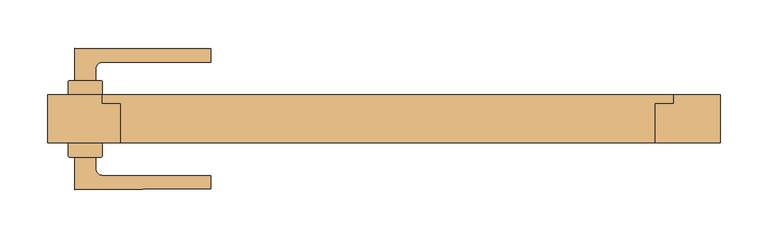
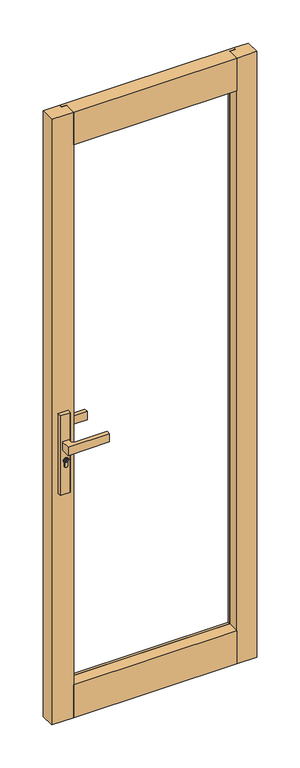
"""IFC4 building model written with IfcOpenShell, lengths in millimetres: door geometry."""

import ifcopenshell
import ifcopenshell.guid

model = None  # the IFC model being written
_history = None  # IfcOwnerHistory: only IFC2X3 demands one
_inside = {}  # id of a spatial element -> (the spatial element, [elements in it])
_under = {}  # id of a project, library or spatial element -> (it, [spatial elements below it])
_declared = {}  # id of a project -> (the project, [libraries it declares])
_typed = {}  # id of a type object -> (the type object, [elements of that type])
_made_of = {}  # id of a material, layer set ... -> (it, [elements and type objects made of it])


def new_model(schema):
    """Start an empty IFC model of exactly this schema.

    Asked for "IFC4X3", IfcOpenShell would pick the latest addendum, in which some entities
    have other attributes; the version numbers below select the first issue.
    IFC2X3 requires an IfcOwnerHistory on every rooted entity: one is made here for all.
    """
    global model, _history
    if schema == "IFC4X3":
        model = ifcopenshell.file(schema_version=(4, 3, 0, 0))
    else:
        model = ifcopenshell.file(schema=schema)
    _inside.clear()
    _under.clear()
    _declared.clear()
    _typed.clear()
    _made_of.clear()
    _history = None
    if model.schema == "IFC2X3":
        org = make("IfcOrganization", Name="unknown")
        user = make(
            "IfcPersonAndOrganization",
            ThePerson=make("IfcPerson", FamilyName="unknown"),
            TheOrganization=org,
        )
        app = make(
            "IfcApplication",
            ApplicationDeveloper=org,
            Version="unknown",
            ApplicationFullName="unknown",
            ApplicationIdentifier="unknown",
        )
        _history = make(
            "IfcOwnerHistory",
            OwningUser=user,
            OwningApplication=app,
            ChangeAction="ADDED",
            CreationDate=0,
        )
    return model


def make(cls, **values):
    """One entity of the class cls with the attributes given. An attribute that is None is left unset."""
    return model.create_entity(
        cls, **{name: value for name, value in values.items() if value is not None}
    )


def rooted(cls, **values):
    """An entity with a GlobalId (a new one), such as an element, a storey or a relation."""
    return make(cls, GlobalId=ifcopenshell.guid.new(), OwnerHistory=_history, **values)


def si_unit(unit_type, name, prefix=None):
    """IfcSIUnit, for example si_unit("LENGTHUNIT", "METRE", prefix="MILLI")."""
    return make("IfcSIUnit", UnitType=unit_type, Prefix=prefix, Name=name)


def assignment(units):
    """IfcUnitAssignment: the units of a project."""
    return None if units is None else make("IfcUnitAssignment", Units=units)


def point(xyz):
    """IfcCartesianPoint."""
    return None if xyz is None else make("IfcCartesianPoint", Coordinates=xyz)


def direction(xyz):
    """IfcDirection."""
    return None if xyz is None else make("IfcDirection", DirectionRatios=xyz)


def frame(location, z_axis=None, x_axis=None):
    """IfcAxis2Placement3D, a coordinate frame: its origin and axes. An axis left out is left unset."""
    return make(
        "IfcAxis2Placement3D",
        Location=point(location),
        Axis=direction(z_axis),
        RefDirection=direction(x_axis),
    )


def frame_2d(location, x_axis=None):
    """IfcAxis2Placement2D, a coordinate frame in the plane: its origin and x axis."""
    return make(
        "IfcAxis2Placement2D", Location=point(location), RefDirection=direction(x_axis)
    )


def origin():
    """The frame at (0, 0, 0) with its axes left unset."""
    return frame((0.0, 0.0, 0.0))


def place(relative_to, where):
    """IfcLocalPlacement: puts the frame where relative to a parent placement (None: the world)."""
    return make(
        "IfcLocalPlacement", PlacementRelTo=relative_to, RelativePlacement=where
    )


def context(
    kind, dimensions, precision=None, world=None, true_north=None, identifier=None
):
    """IfcGeometricRepresentationContext, for example the 3D "Model" context."""
    return make(
        "IfcGeometricRepresentationContext",
        ContextIdentifier=identifier,
        ContextType=kind,
        CoordinateSpaceDimension=dimensions,
        Precision=precision,
        WorldCoordinateSystem=world,
        TrueNorth=true_north,
    )


def project(units=None, contexts=None):
    """IfcProject with its units and contexts."""
    return rooted(
        "IfcProject",
        Name="project",
        RepresentationContexts=contexts,
        UnitsInContext=assignment(units),
    )


def spatial(cls, under=None, at=None, **own):
    """A site, building, storey or space (cls), placed at a placement, below another one or the project."""
    s = rooted(cls, ObjectPlacement=at, **own)
    if under is not None:
        _under.setdefault(under.id(), (under, []))[1].append(s)
    return s


def polyline(points):
    """IfcPolyline through the points."""
    return make("IfcPolyline", Points=[point(p) for p in points])


def circle_curve(where, radius):
    """IfcCircle in the frame where."""
    return make("IfcCircle", Position=where, Radius=radius)


def trimmed(basis, trim1, trim2, sense, master):
    """IfcTrimmedCurve: the piece of a basis curve between two trims."""
    return make(
        "IfcTrimmedCurve",
        BasisCurve=basis,
        Trim1=trim1,
        Trim2=trim2,
        SenseAgreement=sense,
        MasterRepresentation=master,
    )


def segment(curve, same_sense, transition):
    """IfcCompositeCurveSegment."""
    return make(
        "IfcCompositeCurveSegment",
        Transition=transition,
        SameSense=same_sense,
        ParentCurve=curve,
    )


def composite_curve(segments, self_intersect=None):
    """IfcCompositeCurve: segments joined end to end."""
    return make("IfcCompositeCurve", Segments=segments, SelfIntersect=self_intersect)


def outline(outer, holes=None, kind="AREA"):
    """IfcArbitraryClosedProfileDef: a profile drawn as a closed curve; with holes, ...WithVoids."""
    if holes is None:
        return make("IfcArbitraryClosedProfileDef", ProfileType=kind, OuterCurve=outer)
    return make(
        "IfcArbitraryProfileDefWithVoids",
        ProfileType=kind,
        OuterCurve=outer,
        InnerCurves=holes,
    )


def extrude(swept, where, along, depth):
    """IfcExtrudedAreaSolid: the profile swept, set in the frame where, extruded along a direction by depth."""
    return make(
        "IfcExtrudedAreaSolid",
        SweptArea=swept,
        Position=where,
        ExtrudedDirection=direction(along),
        Depth=depth,
    )


def faces_of(points, faces, orient=None, outer=None):
    """IfcFace entities. A face is a list of loops; a loop is a list of indices into points, from 0.

    orient and outer hold one flag for each loop. By default every Orientation is true, the
    first loop of a face is its IfcFaceOuterBound and the others are IfcFaceBound.
    """
    made = []
    for i, loops in enumerate(faces):
        bounds = []
        for j, loop in enumerate(loops):
            is_outer = j == 0 if outer is None else outer[i][j]
            bounds.append(
                make(
                    "IfcFaceOuterBound" if is_outer else "IfcFaceBound",
                    Bound=make("IfcPolyLoop", Polygon=[points[k] for k in loop]),
                    Orientation=True if orient is None else orient[i][j],
                )
            )
        made.append(make("IfcFace", Bounds=bounds))
    return made


def faceted_brep(points, faces, orient=None, outer=None, voids=None):
    """IfcFacetedBrep: a solid bounded by flat faces; with voids (closed shells), ...WithVoids."""
    shared = [point(p) for p in points]
    hull = make("IfcClosedShell", CfsFaces=faces_of(shared, faces, orient, outer))
    if voids is None:
        return make("IfcFacetedBrep", Outer=hull)
    return make(
        "IfcFacetedBrepWithVoids",
        Outer=hull,
        Voids=[
            make(cls, CfsFaces=faces_of(shared, fs, o, b)) for cls, fs, o, b in voids
        ],
    )


def shape(context_of_items, identifier, shape_type, items):
    """IfcShapeRepresentation: the items that make up one representation, for example the "Body"."""
    return make(
        "IfcShapeRepresentation",
        ContextOfItems=context_of_items,
        RepresentationIdentifier=identifier,
        RepresentationType=shape_type,
        Items=items,
    )


def source(mapping_origin, context_of_items, identifier, shape_type, items):
    """IfcRepresentationMap: a shape defined once, which mapped items show again and again."""
    return make(
        "IfcRepresentationMap",
        MappingOrigin=mapping_origin,
        MappedRepresentation=shape(context_of_items, identifier, shape_type, items),
    )


def transform(
    local_origin,
    x_axis=None,
    y_axis=None,
    z_axis=None,
    scale=None,
    scale2=None,
    scale3=None,
    uniform=True,
):
    """IfcCartesianTransformationOperator3D, or its non-uniform kind. x_axis, y_axis, z_axis: its Axis1, 2, 3."""
    if uniform:
        return make(
            "IfcCartesianTransformationOperator3D",
            Axis1=direction(x_axis),
            Axis2=direction(y_axis),
            LocalOrigin=point(local_origin),
            Scale=scale,
            Axis3=direction(z_axis),
        )
    return make(
        "IfcCartesianTransformationOperator3DnonUniform",
        Axis1=direction(x_axis),
        Axis2=direction(y_axis),
        LocalOrigin=point(local_origin),
        Scale=scale,
        Axis3=direction(z_axis),
        Scale2=scale2,
        Scale3=scale3,
    )


def mapped(mapping_source, mapping_target):
    """IfcMappedItem: shows the shape of a source again, moved by a transform."""
    return make(
        "IfcMappedItem", MappingSource=mapping_source, MappingTarget=mapping_target
    )


def made_of(thing, what):
    """Note that an element or type object is made of a material, layer set ...; save() writes the relation."""
    if what is not None:
        _made_of.setdefault(what.id(), (what, []))[1].append(thing)
    return thing


def element(
    cls,
    number,
    at=None,
    inside=None,
    cuts=None,
    type_object=None,
    material=None,
    context=None,
    identifier="Body",
    shape_type=None,
    held_by="IfcProductDefinitionShape",
    body=None,
    shapes=None,
    **own,
):
    """One element of the class cls, such as IfcWall. Its Tag is "e" and its number.

    at: its placement. inside: the storey or other place that contains it. cuts: it is an
    opening in that element (IfcRelVoidsElement). A single representation is given by context,
    identifier, shape_type and body (its items); several are given by shapes. held_by: the class
    of the entity that holds the representations. save() writes the other relations.
    """
    e = rooted(cls, Tag="e%d" % number, ObjectPlacement=at, **own)
    if body is not None:
        shapes = [shape(context, identifier, shape_type, body)]
    if shapes is not None:
        e.Representation = make(held_by, Representations=shapes)
    if inside is not None:
        _inside.setdefault(inside.id(), (inside, []))[1].append(e)
    if cuts is not None:
        rooted(
            "IfcRelVoidsElement", RelatingBuildingElement=cuts, RelatedOpeningElement=e
        )
    if type_object is not None:
        _typed.setdefault(type_object.id(), (type_object, []))[1].append(e)
    return made_of(e, material)


def aggregate(whole, parts):
    """IfcRelAggregates: a whole, such as a stair, and the parts it consists of."""
    return rooted("IfcRelAggregates", RelatingObject=whole, RelatedObjects=parts)


def save(model, path):
    """Write the relations noted so far, then the file.

    IfcRelAggregates (storeys below a building ...), IfcRelContainedInSpatialStructure (elements
    in a storey), IfcRelDefinesByType, IfcRelAssociatesMaterial and IfcRelDeclares: one each for
    every whole, place, type object, material and project.
    """
    for whole, parts in _under.values():
        aggregate(whole, parts)
    for where, things in _inside.values():
        rooted(
            "IfcRelContainedInSpatialStructure",
            RelatedElements=things,
            RelatingStructure=where,
        )
    for kind, things in _typed.values():
        rooted("IfcRelDefinesByType", RelatedObjects=things, RelatingType=kind)
    for what, things in _made_of.values():
        rooted("IfcRelAssociatesMaterial", RelatedObjects=things, RelatingMaterial=what)
    for by, libraries in _declared.values():
        rooted("IfcRelDeclares", RelatingContext=by, RelatedDefinitions=libraries)
    model.write(path)


def door_26ee14ef(model_context):
    return source(origin(), model_context, "Body", "SolidModel", [
        extrude(outline(composite_curve([segment(trimmed(circle_curve(frame_2d((945.687184, -315.651515)), 5.9005564), [point((945.687184, -309.7509586))], [point((945.687184, -321.5520714))], False, "CARTESIAN"), True, "CONTINUOUS"), segment(trimmed(circle_curve(frame_2d((945.687184, -315.651515)), 5.9005564), [point((945.687184, -321.5520714))], [point((945.687184, -309.7509586))], False, "CARTESIAN"), True, "CONTINUOUS")], self_intersect=False), holes=[polyline([(946.7492167, -316.7155863), (949.7292167, -316.7155863), (949.7292167, -314.6676469), (948.9292167, -314.6676469), (948.3483344, -315.7155863), (947.1634303, -315.7155863), (946.3431864, -314.8953425), (944.6002002, -314.8953425), (944.0258593, -315.7155863), (941.7685105, -315.7155863), (941.7685105, -316.7155863), (944.5464263, -316.7155863), (945.1207673, -315.8953425), (945.9289729, -315.8953425), (946.7492167, -316.7155863)])]), frame((0.0, -44.6737903, 0.0), z_axis=(0.0, 1.0, 0.0), x_axis=(0.0, 0.0, 1.0)), (0.0, 0.0, 1.0), 4.423715),
        extrude(outline(composite_curve([segment(polyline([(-333.3000337, -39.0000748), (-333.3000337, -25.0000751), (-298.3000339, -25.0000751), (-298.3000339, -39.0000748)]), True, "CONTINUOUS"), segment(trimmed(circle_curve(frame_2d((-299.3000339, -39.0000748)), 1.0), [point((-298.3000339, -39.0000748))], [point((-299.3000339, -40.0000748))], False, "CARTESIAN"), True, "CONTINUOUS"), segment(polyline([(-299.3000339, -40.0000748), (-332.3000337, -40.0000748)]), True, "CONTINUOUS"), segment(trimmed(circle_curve(frame_2d((-332.3000337, -39.0000748)), 1.0), [point((-332.3000337, -40.0000748))], [point((-333.3000337, -39.0000748))], False, "CARTESIAN"), True, "CONTINUOUS")], self_intersect=False)), frame((0.0, 0.0, 822.4734334), z_axis=(0.0, 0.0, 1.0), x_axis=(1.0, 0.0, 0.0)), (0.0, 0.0, 1.0), 287.6450734),
        extrude(outline(composite_curve([segment(trimmed(circle_curve(frame_2d((-332.3000337, 38.9999345)), 1.0), [point((-333.3000337, 38.9999345))], [point((-332.3000337, 39.9999345))], False, "CARTESIAN"), True, "CONTINUOUS"), segment(polyline([(-332.3000337, 39.9999345), (-299.3000339, 39.9999345)]), True, "CONTINUOUS"), segment(trimmed(circle_curve(frame_2d((-299.3000339, 38.9999345)), 1.0), [point((-299.3000339, 39.9999345))], [point((-298.3000339, 38.9999345))], False, "CARTESIAN"), True, "CONTINUOUS"), segment(polyline([(-298.3000339, 38.9999345), (-298.3000339, 24.9999349), (-333.3000337, 24.9999349), (-333.3000337, 38.9999345)]), True, "CONTINUOUS")], self_intersect=False)), frame((0.0, 0.0, 822.4734334), z_axis=(0.0, 0.0, 1.0), x_axis=(1.0, 0.0, 0.0)), (0.0, 0.0, 1.0), 287.6450734),
        extrude(outline(composite_curve([segment(trimmed(circle_curve(frame_2d((945.687184, -315.651515)), 8.4005564), [point((939.648662, -309.811515))], [point((939.2521745, -321.051515))], False, "CARTESIAN"), True, "CONTINUOUS"), segment(polyline([(939.2521745, -321.051515), (926.2077404, -321.051515)]), True, "CONTINUOUS"), segment(trimmed(circle_curve(frame_2d((926.2077404, -315.431515)), 5.62), [point((926.2077404, -321.051515))], [point((926.2077404, -309.811515))], False, "CARTESIAN"), True, "CONTINUOUS"), segment(polyline([(926.2077404, -309.811515), (939.648662, -309.811515)]), True, "CONTINUOUS")], self_intersect=False), holes=[composite_curve([segment(trimmed(circle_curve(frame_2d((945.687184, -315.651515)), 6.4005564), [point((945.687184, -309.2509586))], [point((945.687184, -322.0520714))], True, "CARTESIAN"), True, "CONTINUOUS"), segment(trimmed(circle_curve(frame_2d((945.687184, -315.651515)), 6.4005564), [point((945.687184, -322.0520714))], [point((945.687184, -309.2509586))], True, "CARTESIAN"), True, "CONTINUOUS")], self_intersect=False)]), frame((0.0, -43.3094156, 0.0), z_axis=(0.0, 1.0, 0.0), x_axis=(0.0, 0.0, 1.0)), (0.0, 0.0, 1.0), 3.0593403),
        extrude(outline(composite_curve([segment(trimmed(circle_curve(frame_2d((945.687184, -315.651515)), 6.4005564), [point((945.687184, -322.0520714))], [point((945.687184, -309.2509586))], False, "CARTESIAN"), True, "CONTINUOUS"), segment(trimmed(circle_curve(frame_2d((945.687184, -315.651515)), 6.4005564), [point((945.687184, -309.2509586))], [point((945.687184, -322.0520714))], False, "CARTESIAN"), True, "CONTINUOUS")], self_intersect=False), holes=[composite_curve([segment(trimmed(circle_curve(frame_2d((945.687184, -315.651515)), 5.9005564), [point((945.687184, -321.5520714))], [point((945.687184, -309.7509586))], True, "CARTESIAN"), True, "CONTINUOUS"), segment(trimmed(circle_curve(frame_2d((945.687184, -315.651515)), 5.9005564), [point((945.687184, -309.7509586))], [point((945.687184, -321.5520714))], True, "CARTESIAN"), True, "CONTINUOUS")], self_intersect=False)]), frame((0.0, -43.3094156, 0.0), z_axis=(0.0, 1.0, 0.0), x_axis=(0.0, 0.0, 1.0)), (0.0, 0.0, 1.0), 3.0593403),
        extrude(outline(composite_curve([segment(polyline([(939.1595834, -321.251515), (926.2077404, -321.251515)]), True, "CONTINUOUS"), segment(trimmed(circle_curve(frame_2d((926.2077404, -315.431515)), 5.82), [point((926.2077404, -321.251515))], [point((926.2077404, -309.611515))], False, "CARTESIAN"), True, "CONTINUOUS"), segment(polyline([(926.2077404, -309.611515), (939.564442, -309.611515)]), True, "CONTINUOUS"), segment(trimmed(circle_curve(frame_2d((945.687184, -315.651515)), 8.6005564), [point((939.564442, -309.611515))], [point((939.1595834, -321.251515))], False, "CARTESIAN"), True, "CONTINUOUS")], self_intersect=False), holes=[composite_curve([segment(polyline([(926.2077404, -321.051515), (939.2521745, -321.051515)]), True, "CONTINUOUS"), segment(trimmed(circle_curve(frame_2d((945.687184, -315.651515)), 8.4005564), [point((939.2521745, -321.051515))], [point((939.648662, -309.811515))], True, "CARTESIAN"), True, "CONTINUOUS"), segment(polyline([(939.648662, -309.811515), (926.2077404, -309.811515)]), True, "CONTINUOUS"), segment(trimmed(circle_curve(frame_2d((926.2077404, -315.431515)), 5.62), [point((926.2077404, -309.811515))], [point((926.2077404, -321.051515))], True, "CARTESIAN"), True, "CONTINUOUS")], self_intersect=False)]), frame((0.0, -43.3094156, 0.0), z_axis=(0.0, 1.0, 0.0), x_axis=(0.0, 0.0, 1.0)), (0.0, 0.0, 1.0), 3.0593403),
        extrude(outline(composite_curve([segment(polyline([(-326.8000338, -73.8567161), (-326.8000338, -40.2500753), (-304.8000338, -40.2500753), (-304.8000338, -51.7500751)]), True, "CONTINUOUS"), segment(trimmed(circle_curve(frame_2d((-297.3000338, -51.7500751)), 7.5), [point((-304.8000338, -51.7500751))], [point((-297.2954991, -59.2500738))], True, "CARTESIAN"), True, "CONTINUOUS"), segment(polyline([(-297.2954991, -59.2500738), (-184.8000284, -59.2500738), (-184.8000284, -73.2500747)]), True, "CONTINUOUS"), segment(trimmed(circle_curve(frame_2d((-259.8000335, 862.7499249)), 939.0), [point((-184.8000284, -73.2500747))], [point((-326.8000338, -73.8567161))], False, "CARTESIAN"), True, "CONTINUOUS")], self_intersect=False)), frame((0.0, 0.0, 985.1796291), z_axis=(0.0, 0.0, 1.0), x_axis=(1.0, 0.0, 0.0)), (0.0, 0.0, 1.0), 29.6407418),
        extrude(outline(composite_curve([segment(trimmed(circle_curve(frame_2d((945.687184, -315.651515)), 5.9005564), [point((945.687184, -309.7509586))], [point((945.687184, -321.5520714))], False, "CARTESIAN"), True, "CONTINUOUS"), segment(trimmed(circle_curve(frame_2d((945.687184, -315.651515)), 5.9005564), [point((945.687184, -321.5520714))], [point((945.687184, -309.7509586))], False, "CARTESIAN"), True, "CONTINUOUS")], self_intersect=False), holes=[polyline([(946.7492167, -316.7155863), (949.7292167, -316.7155863), (949.7292167, -314.6676469), (948.9292167, -314.6676469), (948.3483344, -315.7155863), (947.1634303, -315.7155863), (946.3431864, -314.8953425), (944.6002002, -314.8953425), (944.0258593, -315.7155863), (941.7685105, -315.7155863), (941.7685105, -316.7155863), (944.5464263, -316.7155863), (945.1207673, -315.8953425), (945.9289729, -315.8953425), (946.7492167, -316.7155863)])]), frame((0.0, 40.249935, 0.0), z_axis=(0.0, 1.0, 0.0), x_axis=(0.0, 0.0, 1.0)), (0.0, 0.0, 1.0), 4.423715),
        extrude(outline(composite_curve([segment(trimmed(circle_curve(frame_2d((945.687184, -315.651515)), 8.4005564), [point((939.648662, -309.811515))], [point((939.2521745, -321.051515))], False, "CARTESIAN"), True, "CONTINUOUS"), segment(polyline([(939.2521745, -321.051515), (926.2077404, -321.051515)]), True, "CONTINUOUS"), segment(trimmed(circle_curve(frame_2d((926.2077404, -315.431515)), 5.62), [point((926.2077404, -321.051515))], [point((926.2077404, -309.811515))], False, "CARTESIAN"), True, "CONTINUOUS"), segment(polyline([(926.2077404, -309.811515), (939.648662, -309.811515)]), True, "CONTINUOUS")], self_intersect=False), holes=[composite_curve([segment(trimmed(circle_curve(frame_2d((945.687184, -315.651515)), 6.4005564), [point((945.687184, -309.2509586))], [point((945.687184, -322.0520714))], True, "CARTESIAN"), True, "CONTINUOUS"), segment(trimmed(circle_curve(frame_2d((945.687184, -315.651515)), 6.4005564), [point((945.687184, -322.0520714))], [point((945.687184, -309.2509586))], True, "CARTESIAN"), True, "CONTINUOUS")], self_intersect=False)]), frame((0.0, 40.249935, 0.0), z_axis=(0.0, 1.0, 0.0), x_axis=(0.0, 0.0, 1.0)), (0.0, 0.0, 1.0), 3.0593403),
        extrude(outline(composite_curve([segment(trimmed(circle_curve(frame_2d((945.687184, -315.651515)), 6.4005564), [point((945.687184, -322.0520714))], [point((945.687184, -309.2509586))], False, "CARTESIAN"), True, "CONTINUOUS"), segment(trimmed(circle_curve(frame_2d((945.687184, -315.651515)), 6.4005564), [point((945.687184, -309.2509586))], [point((945.687184, -322.0520714))], False, "CARTESIAN"), True, "CONTINUOUS")], self_intersect=False), holes=[composite_curve([segment(trimmed(circle_curve(frame_2d((945.687184, -315.651515)), 5.9005564), [point((945.687184, -321.5520714))], [point((945.687184, -309.7509586))], True, "CARTESIAN"), True, "CONTINUOUS"), segment(trimmed(circle_curve(frame_2d((945.687184, -315.651515)), 5.9005564), [point((945.687184, -309.7509586))], [point((945.687184, -321.5520714))], True, "CARTESIAN"), True, "CONTINUOUS")], self_intersect=False)]), frame((0.0, 40.249935, 0.0), z_axis=(0.0, 1.0, 0.0), x_axis=(0.0, 0.0, 1.0)), (0.0, 0.0, 1.0), 3.0593403),
        extrude(outline(composite_curve([segment(polyline([(939.1595834, -321.251515), (926.2077404, -321.251515)]), True, "CONTINUOUS"), segment(trimmed(circle_curve(frame_2d((926.2077404, -315.431515)), 5.82), [point((926.2077404, -321.251515))], [point((926.2077404, -309.611515))], False, "CARTESIAN"), True, "CONTINUOUS"), segment(polyline([(926.2077404, -309.611515), (939.564442, -309.611515)]), True, "CONTINUOUS"), segment(trimmed(circle_curve(frame_2d((945.687184, -315.651515)), 8.6005564), [point((939.564442, -309.611515))], [point((939.1595834, -321.251515))], False, "CARTESIAN"), True, "CONTINUOUS")], self_intersect=False), holes=[composite_curve([segment(polyline([(926.2077404, -321.051515), (939.2521745, -321.051515)]), True, "CONTINUOUS"), segment(trimmed(circle_curve(frame_2d((945.687184, -315.651515)), 8.4005564), [point((939.2521745, -321.051515))], [point((939.648662, -309.811515))], True, "CARTESIAN"), True, "CONTINUOUS"), segment(polyline([(939.648662, -309.811515), (926.2077404, -309.811515)]), True, "CONTINUOUS"), segment(trimmed(circle_curve(frame_2d((926.2077404, -315.431515)), 5.62), [point((926.2077404, -309.811515))], [point((926.2077404, -321.051515))], True, "CARTESIAN"), True, "CONTINUOUS")], self_intersect=False)]), frame((0.0, 40.249935, 0.0), z_axis=(0.0, 1.0, 0.0), x_axis=(0.0, 0.0, 1.0)), (0.0, 0.0, 1.0), 3.0593403),
        extrude(outline(composite_curve([segment(trimmed(circle_curve(frame_2d((-259.8000335, -862.7500651)), 939.0), [point((-326.8000338, 73.8565759))], [point((-184.8000284, 73.2499345))], False, "CARTESIAN"), True, "CONTINUOUS"), segment(polyline([(-184.8000284, 73.2499345), (-184.8000284, 59.2499335), (-297.2954991, 59.2499335)]), True, "CONTINUOUS"), segment(trimmed(circle_curve(frame_2d((-297.3000338, 51.7499349)), 7.5), [point((-297.2954991, 59.2499335))], [point((-304.8000338, 51.7499349))], True, "CARTESIAN"), True, "CONTINUOUS"), segment(polyline([(-304.8000338, 51.7499349), (-304.8000338, 40.249935), (-326.8000338, 40.249935), (-326.8000338, 73.8565759)]), True, "CONTINUOUS")], self_intersect=False)), frame((0.0, 0.0, 985.1796291), z_axis=(0.0, 0.0, 1.0), x_axis=(1.0, 0.0, 0.0)), (0.0, 0.0, 1.0), 29.6407418),
        faceted_brep([(-297.8000837, 15.9994771, 2082.0399064), (-297.8000837, 15.9994771, 2182.0899064), (-297.8000837, 24.9999674, 2182.0899064), (-297.8000837, 24.9999674, 2082.0399064), (298.0000593, 15.9994771, 2082.0399064), (298.0000593, 24.9999674, 2082.0399064), (298.0000593, 24.9999674, 2182.0899064), (298.0000593, 15.9994771, 2182.0899064), (-278.8000837, 15.9994771, 2082.0399064), (-278.8000837, 15.9994771, 2182.0899064), (279.0000593, 15.9994771, 2182.0899064), (279.0000593, 15.9994771, 2082.0399064), (-278.8000837, -25.0000651, 2182.0899064), (279.0000593, -25.0000651, 2182.0899064), (-278.8000837, -25.0000651, 2063.0399064), (-278.8000837, 15.9994771, 2063.0399064), (279.0000593, -25.0000651, 2063.0399064), (279.0000593, 15.9994771, 2063.0399064)], [[[0, 1, 2, 3]], [[4, 5, 6, 7]], [[1, 0, 8, 9]], [[4, 7, 10, 11]], [[0, 3, 5, 4, 11, 8]], [[3, 2, 6, 5]], [[2, 1, 9, 12, 13, 10, 7, 6]], [[14, 12, 9, 8, 15]], [[16, 17, 11, 10, 13]], [[12, 14, 16, 13]], [[14, 15, 17, 16]], [[17, 15, 8, 11]]]),
        faceted_brep([(-297.8000837, 24.9999349, 90.9821405), (-297.8000837, 24.9999349, -9.0178595), (-297.8000837, 15.9994771, -9.0178595), (-297.8000837, 15.9994771, 90.9821405), (298.0000593, 24.9999349, 90.9821405), (298.0000593, 15.9994771, 90.9821405), (298.0000593, 15.9994771, -9.0178595), (298.0000593, 24.9999349, -9.0178595), (-278.8000837, 15.9994771, 90.9821405), (279.0000593, 15.9994771, 90.9821405), (279.0000593, 15.9994771, -9.0178595), (279.0000593, -25.0000651, -9.0178595), (-278.8000837, -25.0000651, -9.0178595), (-278.8000837, 15.9994771, -9.0178595), (-278.8000837, -25.0000651, 109.9821405), (-278.8000837, 15.9994771, 109.9821405), (279.0000593, -25.0000651, 109.9821405), (279.0000593, 15.9994771, 109.9821405)], [[[0, 1, 2, 3]], [[4, 5, 6, 7]], [[0, 3, 8, 9, 5, 4]], [[1, 0, 4, 7]], [[2, 1, 7, 6, 10, 11, 12, 13]], [[3, 2, 13, 8]], [[6, 5, 9, 10]], [[14, 15, 8, 13, 12]], [[16, 11, 10, 9, 17]], [[14, 12, 11, 16]], [[15, 14, 16, 17]], [[15, 17, 9, 8]]]),
        extrude(outline(polyline([(279.0000573, 15.9994771), (279.0000573, 24.9999674), (298.0000593, 24.9999674), (298.0000593, 15.9994771), (279.0000573, 15.9994771)])), frame((0.0, 0.0, 90.9821405), z_axis=(0.0, 0.0, 1.0), x_axis=(1.0, 0.0, 0.0)), (0.0, 0.0, 1.0), 1991.057766),
        extrude(outline(polyline([(-278.8000837, -25.0000651), (-354.8000837, -25.0000651), (-354.8000837, 24.9999349), (-297.8000837, 24.9999349), (-297.8000837, 15.9994771), (-278.8000837, 15.9994771), (-278.8000837, -25.0000651)])), frame((0.0, 0.0, -9.0178595), z_axis=(0.0, 0.0, 1.0), x_axis=(1.0, 0.0, 0.0)), (0.0, 0.0, 1.0), 2191.107766),
        extrude(outline(polyline([(-278.8000837, 15.9994771), (-278.8000837, 24.9999674), (279.0000593, 24.9999674), (279.0000593, 15.9994771), (-278.8000837, 15.9994771)])), frame((0.0, 0.0, 2063.0399064), z_axis=(0.0, 0.0, 1.0), x_axis=(1.0, 0.0, 0.0)), (0.0, 0.0, 1.0), 19.0),
        extrude(outline(polyline([(-278.8000837, 15.9994771), (-278.8000837, 24.9999674), (279.0000593, 24.9999674), (279.0000593, 15.9994771), (-278.8000837, 15.9994771)])), frame((0.0, 0.0, 2063.0399044), z_axis=(0.0, 0.0, 1.0), x_axis=(1.0, 0.0, 0.0)), (0.0, 0.0, 1.0), 19.000002),
        extrude(outline(polyline([(-278.8000837, 15.9994771), (-278.8000837, 24.9999349), (279.0000593, 24.9999349), (279.0000593, 15.9994771), (-278.8000837, 15.9994771)])), frame((0.0, 0.0, 90.9821405), z_axis=(0.0, 0.0, 1.0), x_axis=(1.0, 0.0, 0.0)), (0.0, 0.0, 1.0), 19.0),
        extrude(outline(polyline([(279.0000573, 15.9994771), (279.0000573, 24.9999674), (298.0000593, 24.9999674), (298.0000593, 15.9994771), (279.0000573, 15.9994771)])), frame((0.0, 0.0, 90.9821405), z_axis=(0.0, 0.0, 1.0), x_axis=(1.0, 0.0, 0.0)), (0.0, 0.0, 1.0), 1991.057766),
        extrude(outline(polyline([(-278.8000837, 15.9994771), (-297.8000837, 15.9994771), (-297.8000837, 24.9999349), (-278.8000837, 24.9999349), (-278.8000837, 15.9994771)])), frame((0.0, 0.0, 90.9821405), z_axis=(0.0, 0.0, 1.0), x_axis=(1.0, 0.0, 0.0)), (0.0, 0.0, 1.0), 1991.057766),
        extrude(outline(polyline([(279.0000593, -25.0000651), (279.0000593, 15.9994771), (298.0000593, 15.9994771), (298.0000593, 24.9999674), (347.0000593, 24.9999674), (347.0000593, -25.0000651), (279.0000593, -25.0000651)])), frame((0.0, 0.0, -9.0178595), z_axis=(0.0, 0.0, 1.0), x_axis=(1.0, 0.0, 0.0)), (0.0, 0.0, 1.0), 2191.107766),
    ])


if __name__ == "__main__":
    model = new_model("IFC4")
    model_context = context("Model", 3, world=origin())
    ifc_project = project(units=[si_unit("LENGTHUNIT", "METRE", prefix="MILLI")], contexts=[model_context])
    site = spatial("IfcSite", under=ifc_project)
    building = spatial("IfcBuilding", under=site)
    placement = place(None, origin())
    door_shape = door_26ee14ef(model_context)
    element("IfcDoor", 1, at=placement, inside=building, context=model_context, shape_type="MappedRepresentation", body=[
        mapped(door_shape, transform((0.0, 0.0, 0.0), x_axis=(1.0, 0.0, 0.0), y_axis=(0.0, 1.0, 0.0), z_axis=(0.0, 0.0, 1.0))),
    ])
    save(model, "model.ifc")
